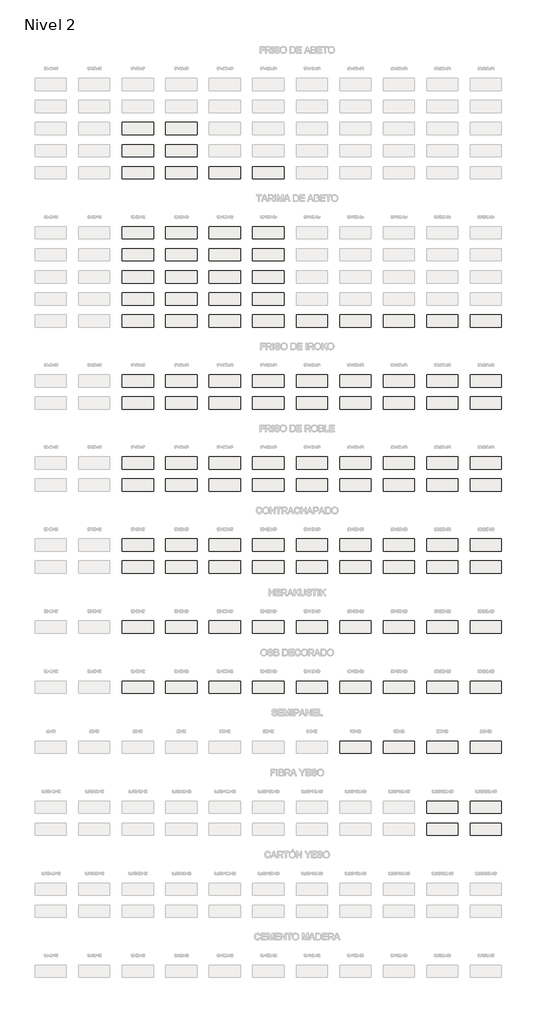
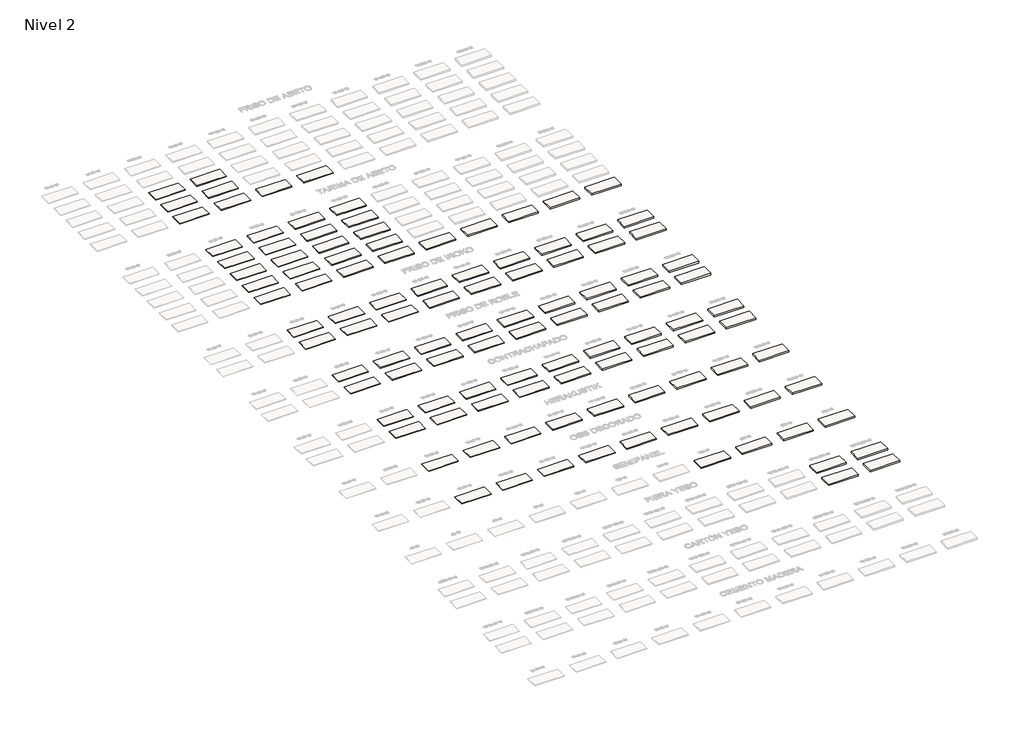
# One storey, part 2 of 51: 113 roofs.
"""IFC4 building model written with IfcOpenShell, lengths in millimetres."""

from ifc_helpers import new_model, si_unit, frame, origin, place, context, project, spatial, polyline, outline, extrude, element, save

model = new_model("IFC4")

# Units and contexts
model_context = context("Model", 3, world=origin())
ifc_project = project(units=[si_unit("LENGTHUNIT", "METRE", prefix="MILLI")], contexts=[model_context])

# Site, building, storey
site = spatial("IfcSite", under=ifc_project)
building = spatial("IfcBuilding", under=site)
storey = spatial("IfcBuildingStorey", under=building, Name="Nivel 2", Elevation=3000.0)

# Roofs
placement = place(None, origin())
element("IfcRoof", 1, at=placement, inside=storey, context=model_context, shape_type="SweptSolid", body=[
    extrude(outline(polyline([(8132.5879307, -1480.7825352), (8132.5879307, -3380.7825352), (3332.5879307, -3380.7825352), (3332.5879307, -1480.7825352), (8132.5879307, -1480.7825352)])), frame((0.0, 0.0, 3000.0), z_axis=(0.0, 0.0, 1.0), x_axis=(1.0, 0.0, 0.0)), (0.0, 0.0, 1.0), 86.0),
])
element("IfcRoof", 2, at=placement, inside=storey, context=model_context, shape_type="SweptSolid", body=[
    extrude(outline(polyline([(14847.5284656, -1480.7825352), (14847.5284656, -3380.7825352), (10047.5284656, -3380.7825352), (10047.5284656, -1480.7825352), (14847.5284656, -1480.7825352)])), frame((0.0, 0.0, 3000.0), z_axis=(0.0, 0.0, 1.0), x_axis=(1.0, 0.0, 0.0)), (0.0, 0.0, 1.0), 106.0),
])
element("IfcRoof", 3, at=placement, inside=storey, context=model_context, shape_type="SweptSolid", body=[
    extrude(outline(polyline([(8132.5879307, -4880.7825352), (8132.5879307, -6780.7825352), (3332.5879307, -6780.7825352), (3332.5879307, -4880.7825352), (8132.5879307, -4880.7825352)])), frame((0.0, 0.0, 3000.0), z_axis=(0.0, 0.0, 1.0), x_axis=(1.0, 0.0, 0.0)), (0.0, 0.0, 1.0), 86.0),
])
element("IfcRoof", 4, at=placement, inside=storey, context=model_context, shape_type="SweptSolid", body=[
    extrude(outline(polyline([(14847.5284656, -4880.7825352), (14847.5284656, -6780.7825352), (10047.5284656, -6780.7825352), (10047.5284656, -4880.7825352), (14847.5284656, -4880.7825352)])), frame((0.0, 0.0, 3000.0), z_axis=(0.0, 0.0, 1.0), x_axis=(1.0, 0.0, 0.0)), (0.0, 0.0, 1.0), 106.0),
])
element("IfcRoof", 5, at=placement, inside=storey, context=model_context, shape_type="SweptSolid", body=[
    extrude(outline(polyline([(8132.5879307, -8284.7825352), (8132.5879307, -10184.7825352), (3332.5879307, -10184.7825352), (3332.5879307, -8284.7825352), (8132.5879307, -8284.7825352)])), frame((0.0, 0.0, 3000.0), z_axis=(0.0, 0.0, 1.0), x_axis=(1.0, 0.0, 0.0)), (0.0, 0.0, 1.0), 86.0),
])
element("IfcRoof", 6, at=placement, inside=storey, context=model_context, shape_type="SweptSolid", body=[
    extrude(outline(polyline([(14847.5284656, -8284.7825352), (14847.5284656, -10184.7825352), (10047.5284656, -10184.7825352), (10047.5284656, -8284.7825352), (14847.5284656, -8284.7825352)])), frame((0.0, 0.0, 3000.0), z_axis=(0.0, 0.0, 1.0), x_axis=(1.0, 0.0, 0.0)), (0.0, 0.0, 1.0), 106.0),
])
element("IfcRoof", 7, at=placement, inside=storey, context=model_context, shape_type="SweptSolid", body=[
    extrude(outline(polyline([(21562.4690004, -8284.7825352), (21562.4690004, -10184.7825352), (16762.4690004, -10184.7825352), (16762.4690004, -8284.7825352), (21562.4690004, -8284.7825352)])), frame((0.0, 0.0, 3000.0), z_axis=(0.0, 0.0, 1.0), x_axis=(1.0, 0.0, 0.0)), (0.0, 0.0, 1.0), 126.0),
])
element("IfcRoof", 8, at=placement, inside=storey, context=model_context, shape_type="SweptSolid", body=[
    extrude(outline(polyline([(28277.4095352, -8284.7825352), (28277.4095352, -10184.7825352), (23477.4095352, -10184.7825352), (23477.4095352, -8284.7825352), (28277.4095352, -8284.7825352)])), frame((0.0, 0.0, 3000.0), z_axis=(0.0, 0.0, 1.0), x_axis=(1.0, 0.0, 0.0)), (0.0, 0.0, 1.0), 146.0),
])
element("IfcRoof", 9, at=placement, inside=storey, context=model_context, shape_type="SweptSolid", body=[
    extrude(outline(polyline([(8132.5879307, -17547.1632381), (8132.5879307, -19447.1632381), (3332.5879307, -19447.1632381), (3332.5879307, -17547.1632381), (8132.5879307, -17547.1632381)])), frame((0.0, 0.0, 3000.0), z_axis=(0.0, 0.0, 1.0), x_axis=(1.0, 0.0, 0.0)), (0.0, 0.0, 1.0), 97.0),
])
element("IfcRoof", 10, at=placement, inside=storey, context=model_context, shape_type="SweptSolid", body=[
    extrude(outline(polyline([(14847.5284656, -17547.1632381), (14847.5284656, -19447.1632381), (10047.5284656, -19447.1632381), (10047.5284656, -17547.1632381), (14847.5284656, -17547.1632381)])), frame((0.0, 0.0, 3000.0), z_axis=(0.0, 0.0, 1.0), x_axis=(1.0, 0.0, 0.0)), (0.0, 0.0, 1.0), 117.0),
])
element("IfcRoof", 11, at=placement, inside=storey, context=model_context, shape_type="SweptSolid", body=[
    extrude(outline(polyline([(21562.4690004, -17547.1632381), (21562.4690004, -19447.1632381), (16762.4690004, -19447.1632381), (16762.4690004, -17547.1632381), (21562.4690004, -17547.1632381)])), frame((0.0, 0.0, 3000.0), z_axis=(0.0, 0.0, 1.0), x_axis=(1.0, 0.0, 0.0)), (0.0, 0.0, 1.0), 137.0),
])
element("IfcRoof", 12, at=placement, inside=storey, context=model_context, shape_type="SweptSolid", body=[
    extrude(outline(polyline([(28277.4095352, -17547.1632381), (28277.4095352, -19447.1632381), (23477.4095352, -19447.1632381), (23477.4095352, -17547.1632381), (28277.4095352, -17547.1632381)])), frame((0.0, 0.0, 3000.0), z_axis=(0.0, 0.0, 1.0), x_axis=(1.0, 0.0, 0.0)), (0.0, 0.0, 1.0), 157.0),
])
element("IfcRoof", 13, at=placement, inside=storey, context=model_context, shape_type="SweptSolid", body=[
    extrude(outline(polyline([(8132.5879307, -20947.1632381), (8132.5879307, -22847.1632381), (3332.5879307, -22847.1632381), (3332.5879307, -20947.1632381), (8132.5879307, -20947.1632381)])), frame((0.0, 0.0, 3000.0), z_axis=(0.0, 0.0, 1.0), x_axis=(1.0, 0.0, 0.0)), (0.0, 0.0, 1.0), 97.0),
])
element("IfcRoof", 14, at=placement, inside=storey, context=model_context, shape_type="SweptSolid", body=[
    extrude(outline(polyline([(14847.5284656, -20947.1632381), (14847.5284656, -22847.1632381), (10047.5284656, -22847.1632381), (10047.5284656, -20947.1632381), (14847.5284656, -20947.1632381)])), frame((0.0, 0.0, 3000.0), z_axis=(0.0, 0.0, 1.0), x_axis=(1.0, 0.0, 0.0)), (0.0, 0.0, 1.0), 117.0),
])
element("IfcRoof", 15, at=placement, inside=storey, context=model_context, shape_type="SweptSolid", body=[
    extrude(outline(polyline([(21562.4690004, -20947.1632381), (21562.4690004, -22847.1632381), (16762.4690004, -22847.1632381), (16762.4690004, -20947.1632381), (21562.4690004, -20947.1632381)])), frame((0.0, 0.0, 3000.0), z_axis=(0.0, 0.0, 1.0), x_axis=(1.0, 0.0, 0.0)), (0.0, 0.0, 1.0), 137.0),
])
element("IfcRoof", 16, at=placement, inside=storey, context=model_context, shape_type="SweptSolid", body=[
    extrude(outline(polyline([(28277.4095352, -20947.1632381), (28277.4095352, -22847.1632381), (23477.4095352, -22847.1632381), (23477.4095352, -20947.1632381), (28277.4095352, -20947.1632381)])), frame((0.0, 0.0, 3000.0), z_axis=(0.0, 0.0, 1.0), x_axis=(1.0, 0.0, 0.0)), (0.0, 0.0, 1.0), 157.0),
])
element("IfcRoof", 17, at=placement, inside=storey, context=model_context, shape_type="SweptSolid", body=[
    extrude(outline(polyline([(8132.5879307, -24351.1632381), (8132.5879307, -26251.1632381), (3332.5879307, -26251.1632381), (3332.5879307, -24351.1632381), (8132.5879307, -24351.1632381)])), frame((0.0, 0.0, 3000.0), z_axis=(0.0, 0.0, 1.0), x_axis=(1.0, 0.0, 0.0)), (0.0, 0.0, 1.0), 97.0),
])
element("IfcRoof", 18, at=placement, inside=storey, context=model_context, shape_type="SweptSolid", body=[
    extrude(outline(polyline([(14847.5284656, -24351.1632381), (14847.5284656, -26251.1632381), (10047.5284656, -26251.1632381), (10047.5284656, -24351.1632381), (14847.5284656, -24351.1632381)])), frame((0.0, 0.0, 3000.0), z_axis=(0.0, 0.0, 1.0), x_axis=(1.0, 0.0, 0.0)), (0.0, 0.0, 1.0), 117.0),
])
element("IfcRoof", 19, at=placement, inside=storey, context=model_context, shape_type="SweptSolid", body=[
    extrude(outline(polyline([(21562.4690004, -24351.1632381), (21562.4690004, -26251.1632381), (16762.4690004, -26251.1632381), (16762.4690004, -24351.1632381), (21562.4690004, -24351.1632381)])), frame((0.0, 0.0, 3000.0), z_axis=(0.0, 0.0, 1.0), x_axis=(1.0, 0.0, 0.0)), (0.0, 0.0, 1.0), 137.0),
])
element("IfcRoof", 20, at=placement, inside=storey, context=model_context, shape_type="SweptSolid", body=[
    extrude(outline(polyline([(28277.4095352, -24351.1632381), (28277.4095352, -26251.1632381), (23477.4095352, -26251.1632381), (23477.4095352, -24351.1632381), (28277.4095352, -24351.1632381)])), frame((0.0, 0.0, 3000.0), z_axis=(0.0, 0.0, 1.0), x_axis=(1.0, 0.0, 0.0)), (0.0, 0.0, 1.0), 157.0),
])
element("IfcRoof", 21, at=placement, inside=storey, context=model_context, shape_type="SweptSolid", body=[
    extrude(outline(polyline([(8132.5879307, -27755.1632381), (8132.5879307, -29655.1632381), (3332.5879307, -29655.1632381), (3332.5879307, -27755.1632381), (8132.5879307, -27755.1632381)])), frame((0.0, 0.0, 3000.0), z_axis=(0.0, 0.0, 1.0), x_axis=(1.0, 0.0, 0.0)), (0.0, 0.0, 1.0), 97.0),
])
element("IfcRoof", 22, at=placement, inside=storey, context=model_context, shape_type="SweptSolid", body=[
    extrude(outline(polyline([(14847.5284656, -27755.1632381), (14847.5284656, -29655.1632381), (10047.5284656, -29655.1632381), (10047.5284656, -27755.1632381), (14847.5284656, -27755.1632381)])), frame((0.0, 0.0, 3000.0), z_axis=(0.0, 0.0, 1.0), x_axis=(1.0, 0.0, 0.0)), (0.0, 0.0, 1.0), 117.0),
])
element("IfcRoof", 23, at=placement, inside=storey, context=model_context, shape_type="SweptSolid", body=[
    extrude(outline(polyline([(21562.4690004, -27755.1632381), (21562.4690004, -29655.1632381), (16762.4690004, -29655.1632381), (16762.4690004, -27755.1632381), (21562.4690004, -27755.1632381)])), frame((0.0, 0.0, 3000.0), z_axis=(0.0, 0.0, 1.0), x_axis=(1.0, 0.0, 0.0)), (0.0, 0.0, 1.0), 137.0),
])
element("IfcRoof", 24, at=placement, inside=storey, context=model_context, shape_type="SweptSolid", body=[
    extrude(outline(polyline([(28277.4095352, -27755.1632381), (28277.4095352, -29655.1632381), (23477.4095352, -29655.1632381), (23477.4095352, -27755.1632381), (28277.4095352, -27755.1632381)])), frame((0.0, 0.0, 3000.0), z_axis=(0.0, 0.0, 1.0), x_axis=(1.0, 0.0, 0.0)), (0.0, 0.0, 1.0), 157.0),
])
element("IfcRoof", 25, at=placement, inside=storey, context=model_context, shape_type="SweptSolid", body=[
    extrude(outline(polyline([(8132.5879307, -31159.1632381), (8132.5879307, -33059.1632381), (3332.5879307, -33059.1632381), (3332.5879307, -31159.1632381), (8132.5879307, -31159.1632381)])), frame((0.0, 0.0, 3000.0), z_axis=(0.0, 0.0, 1.0), x_axis=(1.0, 0.0, 0.0)), (0.0, 0.0, 1.0), 97.0),
])
element("IfcRoof", 26, at=placement, inside=storey, context=model_context, shape_type="SweptSolid", body=[
    extrude(outline(polyline([(14847.5284656, -31159.1632381), (14847.5284656, -33059.1632381), (10047.5284656, -33059.1632381), (10047.5284656, -31159.1632381), (14847.5284656, -31159.1632381)])), frame((0.0, 0.0, 3000.0), z_axis=(0.0, 0.0, 1.0), x_axis=(1.0, 0.0, 0.0)), (0.0, 0.0, 1.0), 117.0),
])
element("IfcRoof", 27, at=placement, inside=storey, context=model_context, shape_type="SweptSolid", body=[
    extrude(outline(polyline([(21562.4690004, -31159.1632381), (21562.4690004, -33059.1632381), (16762.4690004, -33059.1632381), (16762.4690004, -31159.1632381), (21562.4690004, -31159.1632381)])), frame((0.0, 0.0, 3000.0), z_axis=(0.0, 0.0, 1.0), x_axis=(1.0, 0.0, 0.0)), (0.0, 0.0, 1.0), 137.0),
])
element("IfcRoof", 28, at=placement, inside=storey, context=model_context, shape_type="SweptSolid", body=[
    extrude(outline(polyline([(28277.4095352, -31159.1632381), (28277.4095352, -33059.1632381), (23477.4095352, -33059.1632381), (23477.4095352, -31159.1632381), (28277.4095352, -31159.1632381)])), frame((0.0, 0.0, 3000.0), z_axis=(0.0, 0.0, 1.0), x_axis=(1.0, 0.0, 0.0)), (0.0, 0.0, 1.0), 157.0),
])
element("IfcRoof", 29, at=placement, inside=storey, context=model_context, shape_type="SweptSolid", body=[
    extrude(outline(polyline([(34992.35007, -31159.1632381), (34992.35007, -33059.1632381), (30192.35007, -33059.1632381), (30192.35007, -31159.1632381), (34992.35007, -31159.1632381)])), frame((0.0, 0.0, 3000.0), z_axis=(0.0, 0.0, 1.0), x_axis=(1.0, 0.0, 0.0)), (0.0, 0.0, 1.0), 177.0),
])
element("IfcRoof", 30, at=placement, inside=storey, context=model_context, shape_type="SweptSolid", body=[
    extrude(outline(polyline([(41707.2906049, -31159.1632381), (41707.2906049, -33059.1632381), (36907.2906049, -33059.1632381), (36907.2906049, -31159.1632381), (41707.2906049, -31159.1632381)])), frame((0.0, 0.0, 3000.0), z_axis=(0.0, 0.0, 1.0), x_axis=(1.0, 0.0, 0.0)), (0.0, 0.0, 1.0), 197.0),
])
element("IfcRoof", 31, at=placement, inside=storey, context=model_context, shape_type="SweptSolid", body=[
    extrude(outline(polyline([(48422.2311397, -31159.1632381), (48422.2311397, -33059.1632381), (43622.2311397, -33059.1632381), (43622.2311397, -31159.1632381), (48422.2311397, -31159.1632381)])), frame((0.0, 0.0, 3000.0), z_axis=(0.0, 0.0, 1.0), x_axis=(1.0, 0.0, 0.0)), (0.0, 0.0, 1.0), 217.0),
])
element("IfcRoof", 32, at=placement, inside=storey, context=model_context, shape_type="SweptSolid", body=[
    extrude(outline(polyline([(55137.1716745, -31159.1632381), (55137.1716745, -33059.1632381), (50337.1716745, -33059.1632381), (50337.1716745, -31159.1632381), (55137.1716745, -31159.1632381)])), frame((0.0, 0.0, 3000.0), z_axis=(0.0, 0.0, 1.0), x_axis=(1.0, 0.0, 0.0)), (0.0, 0.0, 1.0), 237.0),
])
element("IfcRoof", 33, at=placement, inside=storey, context=model_context, shape_type="SweptSolid", body=[
    extrude(outline(polyline([(61852.1122093, -31159.1632381), (61852.1122093, -33059.1632381), (57052.1122093, -33059.1632381), (57052.1122093, -31159.1632381), (61852.1122093, -31159.1632381)])), frame((0.0, 0.0, 3000.0), z_axis=(0.0, 0.0, 1.0), x_axis=(1.0, 0.0, 0.0)), (0.0, 0.0, 1.0), 277.0),
])
element("IfcRoof", 34, at=placement, inside=storey, context=model_context, shape_type="SweptSolid", body=[
    extrude(outline(polyline([(8132.5879307, -40413.543941), (8132.5879307, -42313.543941), (3332.5879307, -42313.543941), (3332.5879307, -40413.543941), (8132.5879307, -40413.543941)])), frame((0.0, 0.0, 3000.0), z_axis=(0.0, 0.0, 1.0), x_axis=(1.0, 0.0, 0.0)), (0.0, 0.0, 1.0), 86.0),
])
element("IfcRoof", 35, at=placement, inside=storey, context=model_context, shape_type="SweptSolid", body=[
    extrude(outline(polyline([(14847.5284656, -40413.543941), (14847.5284656, -42313.543941), (10047.5284656, -42313.543941), (10047.5284656, -40413.543941), (14847.5284656, -40413.543941)])), frame((0.0, 0.0, 3000.0), z_axis=(0.0, 0.0, 1.0), x_axis=(1.0, 0.0, 0.0)), (0.0, 0.0, 1.0), 106.0),
])
element("IfcRoof", 36, at=placement, inside=storey, context=model_context, shape_type="SweptSolid", body=[
    extrude(outline(polyline([(21562.4690004, -40413.543941), (21562.4690004, -42313.543941), (16762.4690004, -42313.543941), (16762.4690004, -40413.543941), (21562.4690004, -40413.543941)])), frame((0.0, 0.0, 3000.0), z_axis=(0.0, 0.0, 1.0), x_axis=(1.0, 0.0, 0.0)), (0.0, 0.0, 1.0), 126.0),
])
element("IfcRoof", 37, at=placement, inside=storey, context=model_context, shape_type="SweptSolid", body=[
    extrude(outline(polyline([(28277.4095352, -40413.543941), (28277.4095352, -42313.543941), (23477.4095352, -42313.543941), (23477.4095352, -40413.543941), (28277.4095352, -40413.543941)])), frame((0.0, 0.0, 3000.0), z_axis=(0.0, 0.0, 1.0), x_axis=(1.0, 0.0, 0.0)), (0.0, 0.0, 1.0), 146.0),
])
element("IfcRoof", 38, at=placement, inside=storey, context=model_context, shape_type="SweptSolid", body=[
    extrude(outline(polyline([(34992.35007, -40413.543941), (34992.35007, -42313.543941), (30192.35007, -42313.543941), (30192.35007, -40413.543941), (34992.35007, -40413.543941)])), frame((0.0, 0.0, 3000.0), z_axis=(0.0, 0.0, 1.0), x_axis=(1.0, 0.0, 0.0)), (0.0, 0.0, 1.0), 166.0),
])
element("IfcRoof", 39, at=placement, inside=storey, context=model_context, shape_type="SweptSolid", body=[
    extrude(outline(polyline([(41707.2906049, -40413.543941), (41707.2906049, -42313.543941), (36907.2906049, -42313.543941), (36907.2906049, -40413.543941), (41707.2906049, -40413.543941)])), frame((0.0, 0.0, 3000.0), z_axis=(0.0, 0.0, 1.0), x_axis=(1.0, 0.0, 0.0)), (0.0, 0.0, 1.0), 186.0),
])
element("IfcRoof", 40, at=placement, inside=storey, context=model_context, shape_type="SweptSolid", body=[
    extrude(outline(polyline([(48422.2311397, -40413.543941), (48422.2311397, -42313.543941), (43622.2311397, -42313.543941), (43622.2311397, -40413.543941), (48422.2311397, -40413.543941)])), frame((0.0, 0.0, 3000.0), z_axis=(0.0, 0.0, 1.0), x_axis=(1.0, 0.0, 0.0)), (0.0, 0.0, 1.0), 206.0),
])
element("IfcRoof", 41, at=placement, inside=storey, context=model_context, shape_type="SweptSolid", body=[
    extrude(outline(polyline([(55137.1716745, -40413.543941), (55137.1716745, -42313.543941), (50337.1716745, -42313.543941), (50337.1716745, -40413.543941), (55137.1716745, -40413.543941)])), frame((0.0, 0.0, 3000.0), z_axis=(0.0, 0.0, 1.0), x_axis=(1.0, 0.0, 0.0)), (0.0, 0.0, 1.0), 226.0),
])
element("IfcRoof", 42, at=placement, inside=storey, context=model_context, shape_type="SweptSolid", body=[
    extrude(outline(polyline([(61852.1122093, -40413.543941), (61852.1122093, -42313.543941), (57052.1122093, -42313.543941), (57052.1122093, -40413.543941), (61852.1122093, -40413.543941)])), frame((0.0, 0.0, 3000.0), z_axis=(0.0, 0.0, 1.0), x_axis=(1.0, 0.0, 0.0)), (0.0, 0.0, 1.0), 266.0),
])
element("IfcRoof", 43, at=placement, inside=storey, context=model_context, shape_type="SweptSolid", body=[
    extrude(outline(polyline([(8132.5879307, -43813.543941), (8132.5879307, -45713.543941), (3332.5879307, -45713.543941), (3332.5879307, -43813.543941), (8132.5879307, -43813.543941)])), frame((0.0, 0.0, 3000.0), z_axis=(0.0, 0.0, 1.0), x_axis=(1.0, 0.0, 0.0)), (0.0, 0.0, 1.0), 86.0),
])
element("IfcRoof", 44, at=placement, inside=storey, context=model_context, shape_type="SweptSolid", body=[
    extrude(outline(polyline([(14847.5284656, -43813.543941), (14847.5284656, -45713.543941), (10047.5284656, -45713.543941), (10047.5284656, -43813.543941), (14847.5284656, -43813.543941)])), frame((0.0, 0.0, 3000.0), z_axis=(0.0, 0.0, 1.0), x_axis=(1.0, 0.0, 0.0)), (0.0, 0.0, 1.0), 106.0),
])
element("IfcRoof", 45, at=placement, inside=storey, context=model_context, shape_type="SweptSolid", body=[
    extrude(outline(polyline([(21562.4690004, -43813.543941), (21562.4690004, -45713.543941), (16762.4690004, -45713.543941), (16762.4690004, -43813.543941), (21562.4690004, -43813.543941)])), frame((0.0, 0.0, 3000.0), z_axis=(0.0, 0.0, 1.0), x_axis=(1.0, 0.0, 0.0)), (0.0, 0.0, 1.0), 126.0),
])
element("IfcRoof", 46, at=placement, inside=storey, context=model_context, shape_type="SweptSolid", body=[
    extrude(outline(polyline([(28277.4095352, -43813.543941), (28277.4095352, -45713.543941), (23477.4095352, -45713.543941), (23477.4095352, -43813.543941), (28277.4095352, -43813.543941)])), frame((0.0, 0.0, 3000.0), z_axis=(0.0, 0.0, 1.0), x_axis=(1.0, 0.0, 0.0)), (0.0, 0.0, 1.0), 146.0),
])
element("IfcRoof", 47, at=placement, inside=storey, context=model_context, shape_type="SweptSolid", body=[
    extrude(outline(polyline([(34992.35007, -43813.543941), (34992.35007, -45713.543941), (30192.35007, -45713.543941), (30192.35007, -43813.543941), (34992.35007, -43813.543941)])), frame((0.0, 0.0, 3000.0), z_axis=(0.0, 0.0, 1.0), x_axis=(1.0, 0.0, 0.0)), (0.0, 0.0, 1.0), 166.0),
])
element("IfcRoof", 48, at=placement, inside=storey, context=model_context, shape_type="SweptSolid", body=[
    extrude(outline(polyline([(41707.2906049, -43813.543941), (41707.2906049, -45713.543941), (36907.2906049, -45713.543941), (36907.2906049, -43813.543941), (41707.2906049, -43813.543941)])), frame((0.0, 0.0, 3000.0), z_axis=(0.0, 0.0, 1.0), x_axis=(1.0, 0.0, 0.0)), (0.0, 0.0, 1.0), 186.0),
])
element("IfcRoof", 49, at=placement, inside=storey, context=model_context, shape_type="SweptSolid", body=[
    extrude(outline(polyline([(48422.2311397, -43813.543941), (48422.2311397, -45713.543941), (43622.2311397, -45713.543941), (43622.2311397, -43813.543941), (48422.2311397, -43813.543941)])), frame((0.0, 0.0, 3000.0), z_axis=(0.0, 0.0, 1.0), x_axis=(1.0, 0.0, 0.0)), (0.0, 0.0, 1.0), 206.0),
])
element("IfcRoof", 50, at=placement, inside=storey, context=model_context, shape_type="SweptSolid", body=[
    extrude(outline(polyline([(55137.1716745, -43813.543941), (55137.1716745, -45713.543941), (50337.1716745, -45713.543941), (50337.1716745, -43813.543941), (55137.1716745, -43813.543941)])), frame((0.0, 0.0, 3000.0), z_axis=(0.0, 0.0, 1.0), x_axis=(1.0, 0.0, 0.0)), (0.0, 0.0, 1.0), 226.0),
])
element("IfcRoof", 51, at=placement, inside=storey, context=model_context, shape_type="SweptSolid", body=[
    extrude(outline(polyline([(61852.1122093, -43813.543941), (61852.1122093, -45713.543941), (57052.1122093, -45713.543941), (57052.1122093, -43813.543941), (61852.1122093, -43813.543941)])), frame((0.0, 0.0, 3000.0), z_axis=(0.0, 0.0, 1.0), x_axis=(1.0, 0.0, 0.0)), (0.0, 0.0, 1.0), 266.0),
])
element("IfcRoof", 52, at=placement, inside=storey, context=model_context, shape_type="SweptSolid", body=[
    extrude(outline(polyline([(8132.5879307, -53071.9246439), (8132.5879307, -54971.9246439), (3332.5879307, -54971.9246439), (3332.5879307, -53071.9246439), (8132.5879307, -53071.9246439)])), frame((0.0, 0.0, 3000.0), z_axis=(0.0, 0.0, 1.0), x_axis=(1.0, 0.0, 0.0)), (0.0, 0.0, 1.0), 86.0),
])
element("IfcRoof", 53, at=placement, inside=storey, context=model_context, shape_type="SweptSolid", body=[
    extrude(outline(polyline([(14847.5284656, -53071.9246439), (14847.5284656, -54971.9246439), (10047.5284656, -54971.9246439), (10047.5284656, -53071.9246439), (14847.5284656, -53071.9246439)])), frame((0.0, 0.0, 3000.0), z_axis=(0.0, 0.0, 1.0), x_axis=(1.0, 0.0, 0.0)), (0.0, 0.0, 1.0), 106.0),
])
element("IfcRoof", 54, at=placement, inside=storey, context=model_context, shape_type="SweptSolid", body=[
    extrude(outline(polyline([(21562.4690004, -53071.9246439), (21562.4690004, -54971.9246439), (16762.4690004, -54971.9246439), (16762.4690004, -53071.9246439), (21562.4690004, -53071.9246439)])), frame((0.0, 0.0, 3000.0), z_axis=(0.0, 0.0, 1.0), x_axis=(1.0, 0.0, 0.0)), (0.0, 0.0, 1.0), 126.0),
])
element("IfcRoof", 55, at=placement, inside=storey, context=model_context, shape_type="SweptSolid", body=[
    extrude(outline(polyline([(28277.4095352, -53071.9246439), (28277.4095352, -54971.9246439), (23477.4095352, -54971.9246439), (23477.4095352, -53071.9246439), (28277.4095352, -53071.9246439)])), frame((0.0, 0.0, 3000.0), z_axis=(0.0, 0.0, 1.0), x_axis=(1.0, 0.0, 0.0)), (0.0, 0.0, 1.0), 146.0),
])
element("IfcRoof", 56, at=placement, inside=storey, context=model_context, shape_type="SweptSolid", body=[
    extrude(outline(polyline([(34992.35007, -53071.9246439), (34992.35007, -54971.9246439), (30192.35007, -54971.9246439), (30192.35007, -53071.9246439), (34992.35007, -53071.9246439)])), frame((0.0, 0.0, 3000.0), z_axis=(0.0, 0.0, 1.0), x_axis=(1.0, 0.0, 0.0)), (0.0, 0.0, 1.0), 166.0),
])
element("IfcRoof", 57, at=placement, inside=storey, context=model_context, shape_type="SweptSolid", body=[
    extrude(outline(polyline([(41707.2906049, -53071.9246439), (41707.2906049, -54971.9246439), (36907.2906049, -54971.9246439), (36907.2906049, -53071.9246439), (41707.2906049, -53071.9246439)])), frame((0.0, 0.0, 3000.0), z_axis=(0.0, 0.0, 1.0), x_axis=(1.0, 0.0, 0.0)), (0.0, 0.0, 1.0), 186.0),
])
element("IfcRoof", 58, at=placement, inside=storey, context=model_context, shape_type="SweptSolid", body=[
    extrude(outline(polyline([(48422.2311397, -53071.9246439), (48422.2311397, -54971.9246439), (43622.2311397, -54971.9246439), (43622.2311397, -53071.9246439), (48422.2311397, -53071.9246439)])), frame((0.0, 0.0, 3000.0), z_axis=(0.0, 0.0, 1.0), x_axis=(1.0, 0.0, 0.0)), (0.0, 0.0, 1.0), 206.0),
])
element("IfcRoof", 59, at=placement, inside=storey, context=model_context, shape_type="SweptSolid", body=[
    extrude(outline(polyline([(55137.1716745, -53071.9246439), (55137.1716745, -54971.9246439), (50337.1716745, -54971.9246439), (50337.1716745, -53071.9246439), (55137.1716745, -53071.9246439)])), frame((0.0, 0.0, 3000.0), z_axis=(0.0, 0.0, 1.0), x_axis=(1.0, 0.0, 0.0)), (0.0, 0.0, 1.0), 226.0),
])
element("IfcRoof", 60, at=placement, inside=storey, context=model_context, shape_type="SweptSolid", body=[
    extrude(outline(polyline([(61852.1122093, -53071.9246439), (61852.1122093, -54971.9246439), (57052.1122093, -54971.9246439), (57052.1122093, -53071.9246439), (61852.1122093, -53071.9246439)])), frame((0.0, 0.0, 3000.0), z_axis=(0.0, 0.0, 1.0), x_axis=(1.0, 0.0, 0.0)), (0.0, 0.0, 1.0), 266.0),
])
element("IfcRoof", 61, at=placement, inside=storey, context=model_context, shape_type="SweptSolid", body=[
    extrude(outline(polyline([(8132.5879307, -56471.9246439), (8132.5879307, -58371.9246439), (3332.5879307, -58371.9246439), (3332.5879307, -56471.9246439), (8132.5879307, -56471.9246439)])), frame((0.0, 0.0, 3000.0), z_axis=(0.0, 0.0, 1.0), x_axis=(1.0, 0.0, 0.0)), (0.0, 0.0, 1.0), 86.0),
])
element("IfcRoof", 62, at=placement, inside=storey, context=model_context, shape_type="SweptSolid", body=[
    extrude(outline(polyline([(14847.5284656, -56471.9246439), (14847.5284656, -58371.9246439), (10047.5284656, -58371.9246439), (10047.5284656, -56471.9246439), (14847.5284656, -56471.9246439)])), frame((0.0, 0.0, 3000.0), z_axis=(0.0, 0.0, 1.0), x_axis=(1.0, 0.0, 0.0)), (0.0, 0.0, 1.0), 106.0),
])
element("IfcRoof", 63, at=placement, inside=storey, context=model_context, shape_type="SweptSolid", body=[
    extrude(outline(polyline([(21562.4690004, -56471.9246439), (21562.4690004, -58371.9246439), (16762.4690004, -58371.9246439), (16762.4690004, -56471.9246439), (21562.4690004, -56471.9246439)])), frame((0.0, 0.0, 3000.0), z_axis=(0.0, 0.0, 1.0), x_axis=(1.0, 0.0, 0.0)), (0.0, 0.0, 1.0), 126.0),
])
element("IfcRoof", 64, at=placement, inside=storey, context=model_context, shape_type="SweptSolid", body=[
    extrude(outline(polyline([(28277.4095352, -56471.9246439), (28277.4095352, -58371.9246439), (23477.4095352, -58371.9246439), (23477.4095352, -56471.9246439), (28277.4095352, -56471.9246439)])), frame((0.0, 0.0, 3000.0), z_axis=(0.0, 0.0, 1.0), x_axis=(1.0, 0.0, 0.0)), (0.0, 0.0, 1.0), 146.0),
])
element("IfcRoof", 65, at=placement, inside=storey, context=model_context, shape_type="SweptSolid", body=[
    extrude(outline(polyline([(34992.35007, -56471.9246439), (34992.35007, -58371.9246439), (30192.35007, -58371.9246439), (30192.35007, -56471.9246439), (34992.35007, -56471.9246439)])), frame((0.0, 0.0, 3000.0), z_axis=(0.0, 0.0, 1.0), x_axis=(1.0, 0.0, 0.0)), (0.0, 0.0, 1.0), 166.0),
])
element("IfcRoof", 66, at=placement, inside=storey, context=model_context, shape_type="SweptSolid", body=[
    extrude(outline(polyline([(41707.2906049, -56471.9246439), (41707.2906049, -58371.9246439), (36907.2906049, -58371.9246439), (36907.2906049, -56471.9246439), (41707.2906049, -56471.9246439)])), frame((0.0, 0.0, 3000.0), z_axis=(0.0, 0.0, 1.0), x_axis=(1.0, 0.0, 0.0)), (0.0, 0.0, 1.0), 186.0),
])
element("IfcRoof", 67, at=placement, inside=storey, context=model_context, shape_type="SweptSolid", body=[
    extrude(outline(polyline([(48422.2311397, -56471.9246439), (48422.2311397, -58371.9246439), (43622.2311397, -58371.9246439), (43622.2311397, -56471.9246439), (48422.2311397, -56471.9246439)])), frame((0.0, 0.0, 3000.0), z_axis=(0.0, 0.0, 1.0), x_axis=(1.0, 0.0, 0.0)), (0.0, 0.0, 1.0), 206.0),
])
element("IfcRoof", 68, at=placement, inside=storey, context=model_context, shape_type="SweptSolid", body=[
    extrude(outline(polyline([(55137.1716745, -56471.9246439), (55137.1716745, -58371.9246439), (50337.1716745, -58371.9246439), (50337.1716745, -56471.9246439), (55137.1716745, -56471.9246439)])), frame((0.0, 0.0, 3000.0), z_axis=(0.0, 0.0, 1.0), x_axis=(1.0, 0.0, 0.0)), (0.0, 0.0, 1.0), 226.0),
])
element("IfcRoof", 69, at=placement, inside=storey, context=model_context, shape_type="SweptSolid", body=[
    extrude(outline(polyline([(61852.1122093, -56471.9246439), (61852.1122093, -58371.9246439), (57052.1122093, -58371.9246439), (57052.1122093, -56471.9246439), (61852.1122093, -56471.9246439)])), frame((0.0, 0.0, 3000.0), z_axis=(0.0, 0.0, 1.0), x_axis=(1.0, 0.0, 0.0)), (0.0, 0.0, 1.0), 266.0),
])
element("IfcRoof", 70, at=placement, inside=storey, context=model_context, shape_type="SweptSolid", body=[
    extrude(outline(polyline([(8132.5879307, -65730.3053468), (8132.5879307, -67630.3053468), (3332.5879307, -67630.3053468), (3332.5879307, -65730.3053468), (8132.5879307, -65730.3053468)])), frame((0.0, 0.0, 3000.0), z_axis=(0.0, 0.0, 1.0), x_axis=(1.0, 0.0, 0.0)), (0.0, 0.0, 1.0), 86.0),
])
element("IfcRoof", 71, at=placement, inside=storey, context=model_context, shape_type="SweptSolid", body=[
    extrude(outline(polyline([(14847.5284656, -65730.3053468), (14847.5284656, -67630.3053468), (10047.5284656, -67630.3053468), (10047.5284656, -65730.3053468), (14847.5284656, -65730.3053468)])), frame((0.0, 0.0, 3000.0), z_axis=(0.0, 0.0, 1.0), x_axis=(1.0, 0.0, 0.0)), (0.0, 0.0, 1.0), 106.0),
])
element("IfcRoof", 72, at=placement, inside=storey, context=model_context, shape_type="SweptSolid", body=[
    extrude(outline(polyline([(21562.4690004, -65730.3053468), (21562.4690004, -67630.3053468), (16762.4690004, -67630.3053468), (16762.4690004, -65730.3053468), (21562.4690004, -65730.3053468)])), frame((0.0, 0.0, 3000.0), z_axis=(0.0, 0.0, 1.0), x_axis=(1.0, 0.0, 0.0)), (0.0, 0.0, 1.0), 126.0),
])
element("IfcRoof", 73, at=placement, inside=storey, context=model_context, shape_type="SweptSolid", body=[
    extrude(outline(polyline([(28277.4095352, -65730.3053468), (28277.4095352, -67630.3053468), (23477.4095352, -67630.3053468), (23477.4095352, -65730.3053468), (28277.4095352, -65730.3053468)])), frame((0.0, 0.0, 3000.0), z_axis=(0.0, 0.0, 1.0), x_axis=(1.0, 0.0, 0.0)), (0.0, 0.0, 1.0), 146.0),
])
element("IfcRoof", 74, at=placement, inside=storey, context=model_context, shape_type="SweptSolid", body=[
    extrude(outline(polyline([(34992.35007, -65730.3053468), (34992.35007, -67630.3053468), (30192.35007, -67630.3053468), (30192.35007, -65730.3053468), (34992.35007, -65730.3053468)])), frame((0.0, 0.0, 3000.0), z_axis=(0.0, 0.0, 1.0), x_axis=(1.0, 0.0, 0.0)), (0.0, 0.0, 1.0), 166.0),
])
element("IfcRoof", 75, at=placement, inside=storey, context=model_context, shape_type="SweptSolid", body=[
    extrude(outline(polyline([(41707.2906049, -65730.3053468), (41707.2906049, -67630.3053468), (36907.2906049, -67630.3053468), (36907.2906049, -65730.3053468), (41707.2906049, -65730.3053468)])), frame((0.0, 0.0, 3000.0), z_axis=(0.0, 0.0, 1.0), x_axis=(1.0, 0.0, 0.0)), (0.0, 0.0, 1.0), 186.0),
])
element("IfcRoof", 76, at=placement, inside=storey, context=model_context, shape_type="SweptSolid", body=[
    extrude(outline(polyline([(48422.2311397, -65730.3053468), (48422.2311397, -67630.3053468), (43622.2311397, -67630.3053468), (43622.2311397, -65730.3053468), (48422.2311397, -65730.3053468)])), frame((0.0, 0.0, 3000.0), z_axis=(0.0, 0.0, 1.0), x_axis=(1.0, 0.0, 0.0)), (0.0, 0.0, 1.0), 206.0),
])
element("IfcRoof", 77, at=placement, inside=storey, context=model_context, shape_type="SweptSolid", body=[
    extrude(outline(polyline([(55137.1716745, -65730.3053468), (55137.1716745, -67630.3053468), (50337.1716745, -67630.3053468), (50337.1716745, -65730.3053468), (55137.1716745, -65730.3053468)])), frame((0.0, 0.0, 3000.0), z_axis=(0.0, 0.0, 1.0), x_axis=(1.0, 0.0, 0.0)), (0.0, 0.0, 1.0), 226.0),
])
element("IfcRoof", 78, at=placement, inside=storey, context=model_context, shape_type="SweptSolid", body=[
    extrude(outline(polyline([(61852.1122093, -65730.3053468), (61852.1122093, -67630.3053468), (57052.1122093, -67630.3053468), (57052.1122093, -65730.3053468), (61852.1122093, -65730.3053468)])), frame((0.0, 0.0, 3000.0), z_axis=(0.0, 0.0, 1.0), x_axis=(1.0, 0.0, 0.0)), (0.0, 0.0, 1.0), 266.0),
])
element("IfcRoof", 79, at=placement, inside=storey, context=model_context, shape_type="SweptSolid", body=[
    extrude(outline(polyline([(8132.5879307, -69130.3053468), (8132.5879307, -71030.3053468), (3332.5879307, -71030.3053468), (3332.5879307, -69130.3053468), (8132.5879307, -69130.3053468)])), frame((0.0, 0.0, 3000.0), z_axis=(0.0, 0.0, 1.0), x_axis=(1.0, 0.0, 0.0)), (0.0, 0.0, 1.0), 86.0),
])
element("IfcRoof", 80, at=placement, inside=storey, context=model_context, shape_type="SweptSolid", body=[
    extrude(outline(polyline([(14847.5284656, -69130.3053468), (14847.5284656, -71030.3053468), (10047.5284656, -71030.3053468), (10047.5284656, -69130.3053468), (14847.5284656, -69130.3053468)])), frame((0.0, 0.0, 3000.0), z_axis=(0.0, 0.0, 1.0), x_axis=(1.0, 0.0, 0.0)), (0.0, 0.0, 1.0), 106.0),
])
element("IfcRoof", 81, at=placement, inside=storey, context=model_context, shape_type="SweptSolid", body=[
    extrude(outline(polyline([(21562.4690004, -69130.3053468), (21562.4690004, -71030.3053468), (16762.4690004, -71030.3053468), (16762.4690004, -69130.3053468), (21562.4690004, -69130.3053468)])), frame((0.0, 0.0, 3000.0), z_axis=(0.0, 0.0, 1.0), x_axis=(1.0, 0.0, 0.0)), (0.0, 0.0, 1.0), 126.0),
])
element("IfcRoof", 82, at=placement, inside=storey, context=model_context, shape_type="SweptSolid", body=[
    extrude(outline(polyline([(28277.4095352, -69130.3053468), (28277.4095352, -71030.3053468), (23477.4095352, -71030.3053468), (23477.4095352, -69130.3053468), (28277.4095352, -69130.3053468)])), frame((0.0, 0.0, 3000.0), z_axis=(0.0, 0.0, 1.0), x_axis=(1.0, 0.0, 0.0)), (0.0, 0.0, 1.0), 146.0),
])
element("IfcRoof", 83, at=placement, inside=storey, context=model_context, shape_type="SweptSolid", body=[
    extrude(outline(polyline([(34992.35007, -69130.3053468), (34992.35007, -71030.3053468), (30192.35007, -71030.3053468), (30192.35007, -69130.3053468), (34992.35007, -69130.3053468)])), frame((0.0, 0.0, 3000.0), z_axis=(0.0, 0.0, 1.0), x_axis=(1.0, 0.0, 0.0)), (0.0, 0.0, 1.0), 166.0),
])
element("IfcRoof", 84, at=placement, inside=storey, context=model_context, shape_type="SweptSolid", body=[
    extrude(outline(polyline([(41707.2906049, -69130.3053468), (41707.2906049, -71030.3053468), (36907.2906049, -71030.3053468), (36907.2906049, -69130.3053468), (41707.2906049, -69130.3053468)])), frame((0.0, 0.0, 3000.0), z_axis=(0.0, 0.0, 1.0), x_axis=(1.0, 0.0, 0.0)), (0.0, 0.0, 1.0), 186.0),
])
element("IfcRoof", 85, at=placement, inside=storey, context=model_context, shape_type="SweptSolid", body=[
    extrude(outline(polyline([(48422.2311397, -69130.3053468), (48422.2311397, -71030.3053468), (43622.2311397, -71030.3053468), (43622.2311397, -69130.3053468), (48422.2311397, -69130.3053468)])), frame((0.0, 0.0, 3000.0), z_axis=(0.0, 0.0, 1.0), x_axis=(1.0, 0.0, 0.0)), (0.0, 0.0, 1.0), 206.0),
])
element("IfcRoof", 86, at=placement, inside=storey, context=model_context, shape_type="SweptSolid", body=[
    extrude(outline(polyline([(55137.1716745, -69130.3053468), (55137.1716745, -71030.3053468), (50337.1716745, -71030.3053468), (50337.1716745, -69130.3053468), (55137.1716745, -69130.3053468)])), frame((0.0, 0.0, 3000.0), z_axis=(0.0, 0.0, 1.0), x_axis=(1.0, 0.0, 0.0)), (0.0, 0.0, 1.0), 226.0),
])
element("IfcRoof", 87, at=placement, inside=storey, context=model_context, shape_type="SweptSolid", body=[
    extrude(outline(polyline([(61852.1122093, -69130.3053468), (61852.1122093, -71030.3053468), (57052.1122093, -71030.3053468), (57052.1122093, -69130.3053468), (61852.1122093, -69130.3053468)])), frame((0.0, 0.0, 3000.0), z_axis=(0.0, 0.0, 1.0), x_axis=(1.0, 0.0, 0.0)), (0.0, 0.0, 1.0), 266.0),
])
element("IfcRoof", 88, at=placement, inside=storey, context=model_context, shape_type="SweptSolid", body=[
    extrude(outline(polyline([(8132.5879307, -78388.6860497), (8132.5879307, -80288.6860497), (3332.5879307, -80288.6860497), (3332.5879307, -78388.6860497), (8132.5879307, -78388.6860497)])), frame((0.0, 0.0, 3000.0), z_axis=(0.0, 0.0, 1.0), x_axis=(1.0, 0.0, 0.0)), (0.0, 0.0, 1.0), 91.0),
])
element("IfcRoof", 89, at=placement, inside=storey, context=model_context, shape_type="SweptSolid", body=[
    extrude(outline(polyline([(14847.5284656, -78388.6860497), (14847.5284656, -80288.6860497), (10047.5284656, -80288.6860497), (10047.5284656, -78388.6860497), (14847.5284656, -78388.6860497)])), frame((0.0, 0.0, 3000.0), z_axis=(0.0, 0.0, 1.0), x_axis=(1.0, 0.0, 0.0)), (0.0, 0.0, 1.0), 111.0),
])
element("IfcRoof", 90, at=placement, inside=storey, context=model_context, shape_type="SweptSolid", body=[
    extrude(outline(polyline([(21562.4690004, -78388.6860497), (21562.4690004, -80288.6860497), (16762.4690004, -80288.6860497), (16762.4690004, -78388.6860497), (21562.4690004, -78388.6860497)])), frame((0.0, 0.0, 3000.0), z_axis=(0.0, 0.0, 1.0), x_axis=(1.0, 0.0, 0.0)), (0.0, 0.0, 1.0), 131.0),
])
element("IfcRoof", 91, at=placement, inside=storey, context=model_context, shape_type="SweptSolid", body=[
    extrude(outline(polyline([(28277.4095352, -78388.6860497), (28277.4095352, -80288.6860497), (23477.4095352, -80288.6860497), (23477.4095352, -78388.6860497), (28277.4095352, -78388.6860497)])), frame((0.0, 0.0, 3000.0), z_axis=(0.0, 0.0, 1.0), x_axis=(1.0, 0.0, 0.0)), (0.0, 0.0, 1.0), 151.0),
])
element("IfcRoof", 92, at=placement, inside=storey, context=model_context, shape_type="SweptSolid", body=[
    extrude(outline(polyline([(34992.35007, -78388.6860497), (34992.35007, -80288.6860497), (30192.35007, -80288.6860497), (30192.35007, -78388.6860497), (34992.35007, -78388.6860497)])), frame((0.0, 0.0, 3000.0), z_axis=(0.0, 0.0, 1.0), x_axis=(1.0, 0.0, 0.0)), (0.0, 0.0, 1.0), 171.0),
])
element("IfcRoof", 93, at=placement, inside=storey, context=model_context, shape_type="SweptSolid", body=[
    extrude(outline(polyline([(41707.2906049, -78388.6860497), (41707.2906049, -80288.6860497), (36907.2906049, -80288.6860497), (36907.2906049, -78388.6860497), (41707.2906049, -78388.6860497)])), frame((0.0, 0.0, 3000.0), z_axis=(0.0, 0.0, 1.0), x_axis=(1.0, 0.0, 0.0)), (0.0, 0.0, 1.0), 191.0),
])
element("IfcRoof", 94, at=placement, inside=storey, context=model_context, shape_type="SweptSolid", body=[
    extrude(outline(polyline([(48422.2311397, -78388.6860497), (48422.2311397, -80288.6860497), (43622.2311397, -80288.6860497), (43622.2311397, -78388.6860497), (48422.2311397, -78388.6860497)])), frame((0.0, 0.0, 3000.0), z_axis=(0.0, 0.0, 1.0), x_axis=(1.0, 0.0, 0.0)), (0.0, 0.0, 1.0), 211.0),
])
element("IfcRoof", 95, at=placement, inside=storey, context=model_context, shape_type="SweptSolid", body=[
    extrude(outline(polyline([(55137.1716745, -78388.6860497), (55137.1716745, -80288.6860497), (50337.1716745, -80288.6860497), (50337.1716745, -78388.6860497), (55137.1716745, -78388.6860497)])), frame((0.0, 0.0, 3000.0), z_axis=(0.0, 0.0, 1.0), x_axis=(1.0, 0.0, 0.0)), (0.0, 0.0, 1.0), 231.0),
])
element("IfcRoof", 96, at=placement, inside=storey, context=model_context, shape_type="SweptSolid", body=[
    extrude(outline(polyline([(61852.1122093, -78388.6860497), (61852.1122093, -80288.6860497), (57052.1122093, -80288.6860497), (57052.1122093, -78388.6860497), (61852.1122093, -78388.6860497)])), frame((0.0, 0.0, 3000.0), z_axis=(0.0, 0.0, 1.0), x_axis=(1.0, 0.0, 0.0)), (0.0, 0.0, 1.0), 271.0),
])
element("IfcRoof", 97, at=placement, inside=storey, context=model_context, shape_type="SweptSolid", body=[
    extrude(outline(polyline([(8132.5879307, -87647.0667526), (8132.5879307, -89547.0667526), (3332.5879307, -89547.0667526), (3332.5879307, -87647.0667526), (8132.5879307, -87647.0667526)])), frame((0.0, 0.0, 3000.0), z_axis=(0.0, 0.0, 1.0), x_axis=(1.0, 0.0, 0.0)), (0.0, 0.0, 1.0), 86.0),
])
element("IfcRoof", 98, at=placement, inside=storey, context=model_context, shape_type="SweptSolid", body=[
    extrude(outline(polyline([(14847.5284656, -87647.0667526), (14847.5284656, -89547.0667526), (10047.5284656, -89547.0667526), (10047.5284656, -87647.0667526), (14847.5284656, -87647.0667526)])), frame((0.0, 0.0, 3000.0), z_axis=(0.0, 0.0, 1.0), x_axis=(1.0, 0.0, 0.0)), (0.0, 0.0, 1.0), 106.0),
])
element("IfcRoof", 99, at=placement, inside=storey, context=model_context, shape_type="SweptSolid", body=[
    extrude(outline(polyline([(21562.4690004, -87647.0667526), (21562.4690004, -89547.0667526), (16762.4690004, -89547.0667526), (16762.4690004, -87647.0667526), (21562.4690004, -87647.0667526)])), frame((0.0, 0.0, 3000.0), z_axis=(0.0, 0.0, 1.0), x_axis=(1.0, 0.0, 0.0)), (0.0, 0.0, 1.0), 126.0),
])
element("IfcRoof", 100, at=placement, inside=storey, context=model_context, shape_type="SweptSolid", body=[
    extrude(outline(polyline([(28277.4095352, -87647.0667526), (28277.4095352, -89547.0667526), (23477.4095352, -89547.0667526), (23477.4095352, -87647.0667526), (28277.4095352, -87647.0667526)])), frame((0.0, 0.0, 3000.0), z_axis=(0.0, 0.0, 1.0), x_axis=(1.0, 0.0, 0.0)), (0.0, 0.0, 1.0), 146.0),
])
element("IfcRoof", 101, at=placement, inside=storey, context=model_context, shape_type="SweptSolid", body=[
    extrude(outline(polyline([(34992.35007, -87647.0667526), (34992.35007, -89547.0667526), (30192.35007, -89547.0667526), (30192.35007, -87647.0667526), (34992.35007, -87647.0667526)])), frame((0.0, 0.0, 3000.0), z_axis=(0.0, 0.0, 1.0), x_axis=(1.0, 0.0, 0.0)), (0.0, 0.0, 1.0), 166.0),
])
element("IfcRoof", 102, at=placement, inside=storey, context=model_context, shape_type="SweptSolid", body=[
    extrude(outline(polyline([(41707.2906049, -87647.0667526), (41707.2906049, -89547.0667526), (36907.2906049, -89547.0667526), (36907.2906049, -87647.0667526), (41707.2906049, -87647.0667526)])), frame((0.0, 0.0, 3000.0), z_axis=(0.0, 0.0, 1.0), x_axis=(1.0, 0.0, 0.0)), (0.0, 0.0, 1.0), 186.0),
])
element("IfcRoof", 103, at=placement, inside=storey, context=model_context, shape_type="SweptSolid", body=[
    extrude(outline(polyline([(48422.2311397, -87647.0667526), (48422.2311397, -89547.0667526), (43622.2311397, -89547.0667526), (43622.2311397, -87647.0667526), (48422.2311397, -87647.0667526)])), frame((0.0, 0.0, 3000.0), z_axis=(0.0, 0.0, 1.0), x_axis=(1.0, 0.0, 0.0)), (0.0, 0.0, 1.0), 206.0),
])
element("IfcRoof", 104, at=placement, inside=storey, context=model_context, shape_type="SweptSolid", body=[
    extrude(outline(polyline([(55137.1716745, -87647.0667526), (55137.1716745, -89547.0667526), (50337.1716745, -89547.0667526), (50337.1716745, -87647.0667526), (55137.1716745, -87647.0667526)])), frame((0.0, 0.0, 3000.0), z_axis=(0.0, 0.0, 1.0), x_axis=(1.0, 0.0, 0.0)), (0.0, 0.0, 1.0), 226.0),
])
element("IfcRoof", 105, at=placement, inside=storey, context=model_context, shape_type="SweptSolid", body=[
    extrude(outline(polyline([(61852.1122093, -87647.0667526), (61852.1122093, -89547.0667526), (57052.1122093, -89547.0667526), (57052.1122093, -87647.0667526), (61852.1122093, -87647.0667526)])), frame((0.0, 0.0, 3000.0), z_axis=(0.0, 0.0, 1.0), x_axis=(1.0, 0.0, 0.0)), (0.0, 0.0, 1.0), 266.0),
])
element("IfcRoof", 106, at=placement, inside=storey, context=model_context, shape_type="SweptSolid", body=[
    extrude(outline(polyline([(41707.2906049, -96905.4474555), (41707.2906049, -98805.4474555), (36907.2906049, -98805.4474555), (36907.2906049, -96905.4474555), (41707.2906049, -96905.4474555)])), frame((0.0, 0.0, 3000.0), z_axis=(0.0, 0.0, 1.0), x_axis=(1.0, 0.0, 0.0)), (0.0, 0.0, 1.0), 176.0),
])
element("IfcRoof", 107, at=placement, inside=storey, context=model_context, shape_type="SweptSolid", body=[
    extrude(outline(polyline([(48422.2311397, -96905.4474555), (48422.2311397, -98805.4474555), (43622.2311397, -98805.4474555), (43622.2311397, -96905.4474555), (48422.2311397, -96905.4474555)])), frame((0.0, 0.0, 3000.0), z_axis=(0.0, 0.0, 1.0), x_axis=(1.0, 0.0, 0.0)), (0.0, 0.0, 1.0), 196.0),
])
element("IfcRoof", 108, at=placement, inside=storey, context=model_context, shape_type="SweptSolid", body=[
    extrude(outline(polyline([(55137.1716745, -96905.4474555), (55137.1716745, -98805.4474555), (50337.1716745, -98805.4474555), (50337.1716745, -96905.4474555), (55137.1716745, -96905.4474555)])), frame((0.0, 0.0, 3000.0), z_axis=(0.0, 0.0, 1.0), x_axis=(1.0, 0.0, 0.0)), (0.0, 0.0, 1.0), 216.0),
])
element("IfcRoof", 109, at=placement, inside=storey, context=model_context, shape_type="SweptSolid", body=[
    extrude(outline(polyline([(61852.1122093, -96905.4474555), (61852.1122093, -98805.4474555), (57052.1122093, -98805.4474555), (57052.1122093, -96905.4474555), (61852.1122093, -96905.4474555)])), frame((0.0, 0.0, 3000.0), z_axis=(0.0, 0.0, 1.0), x_axis=(1.0, 0.0, 0.0)), (0.0, 0.0, 1.0), 256.0),
])
element("IfcRoof", 110, at=placement, inside=storey, context=model_context, shape_type="SweptSolid", body=[
    extrude(outline(polyline([(55137.1716745, -106163.8281584), (55137.1716745, -108063.8281584), (50337.1716745, -108063.8281584), (50337.1716745, -106163.8281584), (55137.1716745, -106163.8281584)])), frame((0.0, 0.0, 3000.0), z_axis=(0.0, 0.0, 1.0), x_axis=(1.0, 0.0, 0.0)), (0.0, 0.0, 1.0), 226.0),
])
element("IfcRoof", 111, at=placement, inside=storey, context=model_context, shape_type="SweptSolid", body=[
    extrude(outline(polyline([(61852.1122093, -106163.8281584), (61852.1122093, -108063.8281584), (57052.1122093, -108063.8281584), (57052.1122093, -106163.8281584), (61852.1122093, -106163.8281584)])), frame((0.0, 0.0, 3000.0), z_axis=(0.0, 0.0, 1.0), x_axis=(1.0, 0.0, 0.0)), (0.0, 0.0, 1.0), 266.0),
])
element("IfcRoof", 112, at=placement, inside=storey, context=model_context, shape_type="SweptSolid", body=[
    extrude(outline(polyline([(55137.1716745, -109563.8281584), (55137.1716745, -111463.8281584), (50337.1716745, -111463.8281584), (50337.1716745, -109563.8281584), (55137.1716745, -109563.8281584)])), frame((0.0, 0.0, 3000.0), z_axis=(0.0, 0.0, 1.0), x_axis=(1.0, 0.0, 0.0)), (0.0, 0.0, 1.0), 229.0),
])
element("IfcRoof", 113, at=placement, inside=storey, context=model_context, shape_type="SweptSolid", body=[
    extrude(outline(polyline([(61852.1122093, -109563.8281584), (61852.1122093, -111463.8281584), (57052.1122093, -111463.8281584), (57052.1122093, -109563.8281584), (61852.1122093, -109563.8281584)])), frame((0.0, 0.0, 3000.0), z_axis=(0.0, 0.0, 1.0), x_axis=(1.0, 0.0, 0.0)), (0.0, 0.0, 1.0), 269.0),
])

save(model, "model.ifc")
